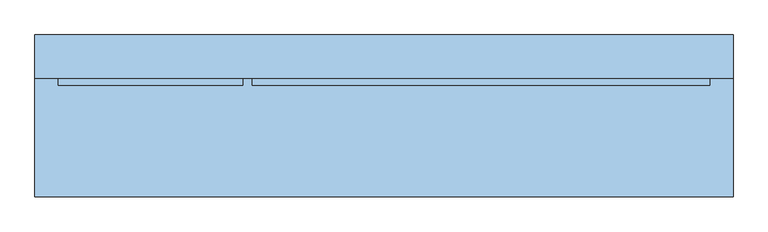
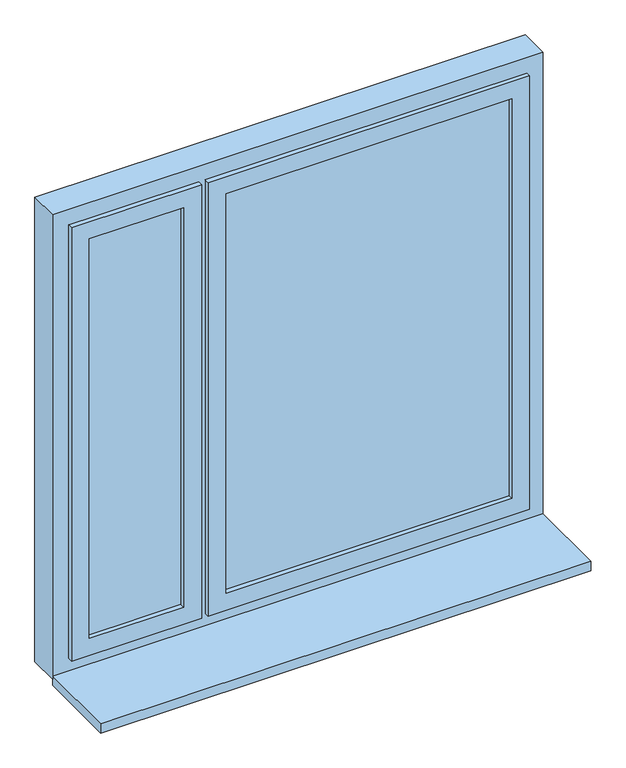
"""IFC4 building model written with IfcOpenShell, lengths in millimetres: window geometry."""

import ifcopenshell
import ifcopenshell.guid

model = None  # the IFC model being written
_history = None  # IfcOwnerHistory: only IFC2X3 demands one
_inside = {}  # id of a spatial element -> (the spatial element, [elements in it])
_under = {}  # id of a project, library or spatial element -> (it, [spatial elements below it])
_declared = {}  # id of a project -> (the project, [libraries it declares])
_typed = {}  # id of a type object -> (the type object, [elements of that type])
_made_of = {}  # id of a material, layer set ... -> (it, [elements and type objects made of it])


def new_model(schema):
    """Start an empty IFC model of exactly this schema.

    Asked for "IFC4X3", IfcOpenShell would pick the latest addendum, in which some entities
    have other attributes; the version numbers below select the first issue.
    IFC2X3 requires an IfcOwnerHistory on every rooted entity: one is made here for all.
    """
    global model, _history
    if schema == "IFC4X3":
        model = ifcopenshell.file(schema_version=(4, 3, 0, 0))
    else:
        model = ifcopenshell.file(schema=schema)
    _inside.clear()
    _under.clear()
    _declared.clear()
    _typed.clear()
    _made_of.clear()
    _history = None
    if model.schema == "IFC2X3":
        org = make("IfcOrganization", Name="unknown")
        user = make(
            "IfcPersonAndOrganization",
            ThePerson=make("IfcPerson", FamilyName="unknown"),
            TheOrganization=org,
        )
        app = make(
            "IfcApplication",
            ApplicationDeveloper=org,
            Version="unknown",
            ApplicationFullName="unknown",
            ApplicationIdentifier="unknown",
        )
        _history = make(
            "IfcOwnerHistory",
            OwningUser=user,
            OwningApplication=app,
            ChangeAction="ADDED",
            CreationDate=0,
        )
    return model


def make(cls, **values):
    """One entity of the class cls with the attributes given. An attribute that is None is left unset."""
    return model.create_entity(
        cls, **{name: value for name, value in values.items() if value is not None}
    )


def rooted(cls, **values):
    """An entity with a GlobalId (a new one), such as an element, a storey or a relation."""
    return make(cls, GlobalId=ifcopenshell.guid.new(), OwnerHistory=_history, **values)


def si_unit(unit_type, name, prefix=None):
    """IfcSIUnit, for example si_unit("LENGTHUNIT", "METRE", prefix="MILLI")."""
    return make("IfcSIUnit", UnitType=unit_type, Prefix=prefix, Name=name)


def assignment(units):
    """IfcUnitAssignment: the units of a project."""
    return None if units is None else make("IfcUnitAssignment", Units=units)


def point(xyz):
    """IfcCartesianPoint."""
    return None if xyz is None else make("IfcCartesianPoint", Coordinates=xyz)


def direction(xyz):
    """IfcDirection."""
    return None if xyz is None else make("IfcDirection", DirectionRatios=xyz)


def frame(location, z_axis=None, x_axis=None):
    """IfcAxis2Placement3D, a coordinate frame: its origin and axes. An axis left out is left unset."""
    return make(
        "IfcAxis2Placement3D",
        Location=point(location),
        Axis=direction(z_axis),
        RefDirection=direction(x_axis),
    )


def origin():
    """The frame at (0, 0, 0) with its axes left unset."""
    return frame((0.0, 0.0, 0.0))


def place(relative_to, where):
    """IfcLocalPlacement: puts the frame where relative to a parent placement (None: the world)."""
    return make(
        "IfcLocalPlacement", PlacementRelTo=relative_to, RelativePlacement=where
    )


def context(
    kind, dimensions, precision=None, world=None, true_north=None, identifier=None
):
    """IfcGeometricRepresentationContext, for example the 3D "Model" context."""
    return make(
        "IfcGeometricRepresentationContext",
        ContextIdentifier=identifier,
        ContextType=kind,
        CoordinateSpaceDimension=dimensions,
        Precision=precision,
        WorldCoordinateSystem=world,
        TrueNorth=true_north,
    )


def project(units=None, contexts=None):
    """IfcProject with its units and contexts."""
    return rooted(
        "IfcProject",
        Name="project",
        RepresentationContexts=contexts,
        UnitsInContext=assignment(units),
    )


def spatial(cls, under=None, at=None, **own):
    """A site, building, storey or space (cls), placed at a placement, below another one or the project."""
    s = rooted(cls, ObjectPlacement=at, **own)
    if under is not None:
        _under.setdefault(under.id(), (under, []))[1].append(s)
    return s


def polyline(points):
    """IfcPolyline through the points."""
    return make("IfcPolyline", Points=[point(p) for p in points])


def outline(outer, holes=None, kind="AREA"):
    """IfcArbitraryClosedProfileDef: a profile drawn as a closed curve; with holes, ...WithVoids."""
    if holes is None:
        return make("IfcArbitraryClosedProfileDef", ProfileType=kind, OuterCurve=outer)
    return make(
        "IfcArbitraryProfileDefWithVoids",
        ProfileType=kind,
        OuterCurve=outer,
        InnerCurves=holes,
    )


def extrude(swept, where, along, depth):
    """IfcExtrudedAreaSolid: the profile swept, set in the frame where, extruded along a direction by depth."""
    return make(
        "IfcExtrudedAreaSolid",
        SweptArea=swept,
        Position=where,
        ExtrudedDirection=direction(along),
        Depth=depth,
    )


def faces_of(points, faces, orient=None, outer=None):
    """IfcFace entities. A face is a list of loops; a loop is a list of indices into points, from 0.

    orient and outer hold one flag for each loop. By default every Orientation is true, the
    first loop of a face is its IfcFaceOuterBound and the others are IfcFaceBound.
    """
    made = []
    for i, loops in enumerate(faces):
        bounds = []
        for j, loop in enumerate(loops):
            is_outer = j == 0 if outer is None else outer[i][j]
            bounds.append(
                make(
                    "IfcFaceOuterBound" if is_outer else "IfcFaceBound",
                    Bound=make("IfcPolyLoop", Polygon=[points[k] for k in loop]),
                    Orientation=True if orient is None else orient[i][j],
                )
            )
        made.append(make("IfcFace", Bounds=bounds))
    return made


def faceted_brep(points, faces, orient=None, outer=None, voids=None):
    """IfcFacetedBrep: a solid bounded by flat faces; with voids (closed shells), ...WithVoids."""
    shared = [point(p) for p in points]
    hull = make("IfcClosedShell", CfsFaces=faces_of(shared, faces, orient, outer))
    if voids is None:
        return make("IfcFacetedBrep", Outer=hull)
    return make(
        "IfcFacetedBrepWithVoids",
        Outer=hull,
        Voids=[
            make(cls, CfsFaces=faces_of(shared, fs, o, b)) for cls, fs, o, b in voids
        ],
    )


def shape(context_of_items, identifier, shape_type, items):
    """IfcShapeRepresentation: the items that make up one representation, for example the "Body"."""
    return make(
        "IfcShapeRepresentation",
        ContextOfItems=context_of_items,
        RepresentationIdentifier=identifier,
        RepresentationType=shape_type,
        Items=items,
    )


def source(mapping_origin, context_of_items, identifier, shape_type, items):
    """IfcRepresentationMap: a shape defined once, which mapped items show again and again."""
    return make(
        "IfcRepresentationMap",
        MappingOrigin=mapping_origin,
        MappedRepresentation=shape(context_of_items, identifier, shape_type, items),
    )


def transform(
    local_origin,
    x_axis=None,
    y_axis=None,
    z_axis=None,
    scale=None,
    scale2=None,
    scale3=None,
    uniform=True,
):
    """IfcCartesianTransformationOperator3D, or its non-uniform kind. x_axis, y_axis, z_axis: its Axis1, 2, 3."""
    if uniform:
        return make(
            "IfcCartesianTransformationOperator3D",
            Axis1=direction(x_axis),
            Axis2=direction(y_axis),
            LocalOrigin=point(local_origin),
            Scale=scale,
            Axis3=direction(z_axis),
        )
    return make(
        "IfcCartesianTransformationOperator3DnonUniform",
        Axis1=direction(x_axis),
        Axis2=direction(y_axis),
        LocalOrigin=point(local_origin),
        Scale=scale,
        Axis3=direction(z_axis),
        Scale2=scale2,
        Scale3=scale3,
    )


def mapped(mapping_source, mapping_target):
    """IfcMappedItem: shows the shape of a source again, moved by a transform."""
    return make(
        "IfcMappedItem", MappingSource=mapping_source, MappingTarget=mapping_target
    )


def made_of(thing, what):
    """Note that an element or type object is made of a material, layer set ...; save() writes the relation."""
    if what is not None:
        _made_of.setdefault(what.id(), (what, []))[1].append(thing)
    return thing


def element(
    cls,
    number,
    at=None,
    inside=None,
    cuts=None,
    type_object=None,
    material=None,
    context=None,
    identifier="Body",
    shape_type=None,
    held_by="IfcProductDefinitionShape",
    body=None,
    shapes=None,
    **own,
):
    """One element of the class cls, such as IfcWall. Its Tag is "e" and its number.

    at: its placement. inside: the storey or other place that contains it. cuts: it is an
    opening in that element (IfcRelVoidsElement). A single representation is given by context,
    identifier, shape_type and body (its items); several are given by shapes. held_by: the class
    of the entity that holds the representations. save() writes the other relations.
    """
    e = rooted(cls, Tag="e%d" % number, ObjectPlacement=at, **own)
    if body is not None:
        shapes = [shape(context, identifier, shape_type, body)]
    if shapes is not None:
        e.Representation = make(held_by, Representations=shapes)
    if inside is not None:
        _inside.setdefault(inside.id(), (inside, []))[1].append(e)
    if cuts is not None:
        rooted(
            "IfcRelVoidsElement", RelatingBuildingElement=cuts, RelatedOpeningElement=e
        )
    if type_object is not None:
        _typed.setdefault(type_object.id(), (type_object, []))[1].append(e)
    return made_of(e, material)


def aggregate(whole, parts):
    """IfcRelAggregates: a whole, such as a stair, and the parts it consists of."""
    return rooted("IfcRelAggregates", RelatingObject=whole, RelatedObjects=parts)


def save(model, path):
    """Write the relations noted so far, then the file.

    IfcRelAggregates (storeys below a building ...), IfcRelContainedInSpatialStructure (elements
    in a storey), IfcRelDefinesByType, IfcRelAssociatesMaterial and IfcRelDeclares: one each for
    every whole, place, type object, material and project.
    """
    for whole, parts in _under.values():
        aggregate(whole, parts)
    for where, things in _inside.values():
        rooted(
            "IfcRelContainedInSpatialStructure",
            RelatedElements=things,
            RelatingStructure=where,
        )
    for kind, things in _typed.values():
        rooted("IfcRelDefinesByType", RelatedObjects=things, RelatingType=kind)
    for what, things in _made_of.values():
        rooted("IfcRelAssociatesMaterial", RelatedObjects=things, RelatingMaterial=what)
    for by, libraries in _declared.values():
        rooted("IfcRelDeclares", RelatingContext=by, RelatedDefinitions=libraries)
    model.write(path)


def window_0c1ff4c9(model_context):
    return source(origin(), model_context, "Body", "SolidModel", [
        extrude(outline(polyline([(-525.0, 56.0), (-525.0, 60.0), (-235.0, 60.0), (-235.0, 56.0), (-525.0, 56.0)])), frame((0.0, 0.0, 905.0), z_axis=(0.0, 0.0, 1.0), x_axis=(1.0, 0.0, 0.0)), (0.0, 0.0, 1.0), 1300.0),
        extrude(outline(polyline([(-235.0, 120.0), (-235.0, 116.0), (-525.0, 116.0), (-525.0, 120.0), (-235.0, 120.0)])), frame((0.0, 0.0, 905.0), z_axis=(0.0, 0.0, 1.0), x_axis=(1.0, 0.0, 0.0)), (0.0, 0.0, 1.0), 1300.0),
        faceted_brep([(-180.0, 56.0, 2260.0), (-180.0, 56.0, 850.0), (-580.0, 56.0, 850.0), (-580.0, 56.0, 2260.0), (-190.0, 56.0, 860.0), (-190.0, 56.0, 2250.0), (-570.0, 56.0, 2250.0), (-570.0, 56.0, 860.0), (-190.0, 87.0, 860.0), (-190.0, 87.0, 2250.0), (-570.0, 87.0, 860.0), (-570.0, 87.0, 2250.0), (-525.0, 87.0, 905.0), (-235.0, 87.0, 905.0), (-235.0, 87.0, 2205.0), (-525.0, 87.0, 2205.0), (-235.0, 41.0, 905.0), (-235.0, 41.0, 2205.0), (-580.0, 41.0, 850.0), (-180.0, 41.0, 850.0), (-180.0, 41.0, 2260.0), (-580.0, 41.0, 2260.0), (-525.0, 41.0, 905.0), (-525.0, 41.0, 2205.0)], [[[0, 1, 2, 3], [4, 5, 6, 7]], [[4, 8, 9, 5]], [[8, 10, 11, 9], [12, 13, 14, 15]], [[13, 16, 17, 14]], [[18, 19, 20, 21], [16, 22, 23, 17]], [[0, 20, 19, 1]], [[5, 9, 11, 6]], [[14, 17, 23, 15]], [[3, 21, 20, 0]], [[6, 11, 10, 7]], [[15, 23, 22, 12]], [[2, 18, 21, 3]], [[8, 4, 7, 10]], [[16, 13, 12, 22]], [[1, 19, 18, 2]]]),
        faceted_brep([(-190.0, 89.0, 2250.0), (-190.0, 89.0, 860.0), (-190.0, 102.0, 860.0), (-190.0, 102.0, 875.0), (-190.0, 135.0, 875.0), (-190.0, 135.0, 2250.0), (-235.0, 135.0, 905.0), (-235.0, 89.0, 905.0), (-235.0, 89.0, 2205.0), (-235.0, 135.0, 2205.0), (-570.0, 89.0, 860.0), (-570.0, 89.0, 2250.0), (-525.0, 89.0, 905.0), (-525.0, 89.0, 2205.0), (-570.0, 135.0, 875.0), (-570.0, 135.0, 2250.0), (-525.0, 135.0, 2205.0), (-525.0, 135.0, 905.0), (-570.0, 102.0, 875.0), (-570.0, 102.0, 860.0)], [[[0, 1, 2, 3, 4, 5]], [[6, 7, 8, 9]], [[10, 1, 0, 11], [7, 12, 13, 8]], [[4, 14, 15, 5], [9, 16, 17, 6]], [[8, 13, 16, 9]], [[0, 5, 15, 11]], [[10, 11, 15, 14, 18, 19]], [[12, 17, 16, 13]], [[7, 6, 17, 12]], [[10, 19, 2, 1]], [[19, 18, 3, 2]], [[4, 3, 18, 14]]]),
        extrude(outline(polyline([(-105.0, 56.0), (-105.0, 60.0), (775.0, 60.0), (775.0, 56.0), (-105.0, 56.0)])), frame((0.0, 0.0, 905.0), z_axis=(0.0, 0.0, 1.0), x_axis=(1.0, 0.0, 0.0)), (0.0, 0.0, 1.0), 1300.0),
        extrude(outline(polyline([(775.0, 120.0), (775.0, 116.0), (-105.0, 116.0), (-105.0, 120.0), (775.0, 120.0)])), frame((0.0, 0.0, 905.0), z_axis=(0.0, 0.0, 1.0), x_axis=(1.0, 0.0, 0.0)), (0.0, 0.0, 1.0), 1300.0),
        faceted_brep([(830.0, 56.0, 2260.0), (830.0, 56.0, 850.0), (-160.0, 56.0, 850.0), (-160.0, 56.0, 2260.0), (820.0, 56.0, 860.0), (820.0, 56.0, 2250.0), (-150.0, 56.0, 2250.0), (-150.0, 56.0, 860.0), (820.0, 87.0, 860.0), (820.0, 87.0, 2250.0), (-150.0, 87.0, 860.0), (-150.0, 87.0, 2250.0), (-105.0, 87.0, 905.0), (775.0, 87.0, 905.0), (775.0, 87.0, 2205.0), (-105.0, 87.0, 2205.0), (775.0, 41.0, 905.0), (775.0, 41.0, 2205.0), (-160.0, 41.0, 850.0), (830.0, 41.0, 850.0), (830.0, 41.0, 2260.0), (-160.0, 41.0, 2260.0), (-105.0, 41.0, 905.0), (-105.0, 41.0, 2205.0)], [[[0, 1, 2, 3], [4, 5, 6, 7]], [[4, 8, 9, 5]], [[8, 10, 11, 9], [12, 13, 14, 15]], [[13, 16, 17, 14]], [[18, 19, 20, 21], [16, 22, 23, 17]], [[0, 20, 19, 1]], [[5, 9, 11, 6]], [[14, 17, 23, 15]], [[3, 21, 20, 0]], [[6, 11, 10, 7]], [[15, 23, 22, 12]], [[2, 18, 21, 3]], [[8, 4, 7, 10]], [[16, 13, 12, 22]], [[1, 19, 18, 2]]]),
        faceted_brep([(820.0, 89.0, 2250.0), (820.0, 89.0, 860.0), (820.0, 102.0, 860.0), (820.0, 102.0, 875.0), (820.0, 135.0, 875.0), (820.0, 135.0, 2250.0), (775.0, 135.0, 905.0), (775.0, 89.0, 905.0), (775.0, 89.0, 2205.0), (775.0, 135.0, 2205.0), (-150.0, 89.0, 860.0), (-150.0, 89.0, 2250.0), (-105.0, 89.0, 905.0), (-105.0, 89.0, 2205.0), (-150.0, 135.0, 875.0), (-150.0, 135.0, 2250.0), (-105.0, 135.0, 2205.0), (-105.0, 135.0, 905.0), (-150.0, 102.0, 875.0), (-150.0, 102.0, 860.0)], [[[0, 1, 2, 3, 4, 5]], [[6, 7, 8, 9]], [[10, 1, 0, 11], [7, 12, 13, 8]], [[4, 14, 15, 5], [9, 16, 17, 6]], [[8, 13, 16, 9]], [[0, 5, 15, 11]], [[10, 11, 15, 14, 18, 19]], [[12, 17, 16, 13]], [[7, 6, 17, 12]], [[10, 19, 2, 1]], [[19, 18, 3, 2]], [[4, 3, 18, 14]]]),
        faceted_brep([(-630.0, 150.0, 800.0), (880.0, 150.0, 800.0), (880.0, 56.0, 800.0), (-630.0, 56.0, 800.0), (880.0, 56.0, 2310.0), (-630.0, 56.0, 2310.0), (-570.0, 56.0, 2250.0), (-190.0, 56.0, 2250.0), (-190.0, 56.0, 860.0), (-570.0, 56.0, 860.0), (820.0, 56.0, 2250.0), (820.0, 56.0, 860.0), (-150.0, 56.0, 860.0), (-150.0, 56.0, 2250.0), (820.0, 135.0, 2250.0), (820.0, 135.0, 860.0), (820.0, 119.0, 860.0), (820.0, 119.0, 875.0), (820.0, 102.0, 875.0), (820.0, 102.0, 860.0), (-150.0, 135.0, 2250.0), (-150.0, 135.0, 860.0), (-135.0, 135.0, 860.0), (-135.0, 135.0, 2235.0), (805.0, 135.0, 2235.0), (805.0, 135.0, 860.0), (-570.0, 135.0, 2250.0), (-570.0, 135.0, 860.0), (-555.0, 135.0, 860.0), (-555.0, 135.0, 2235.0), (-205.0, 135.0, 2235.0), (-205.0, 135.0, 860.0), (-190.0, 135.0, 860.0), (-190.0, 135.0, 2250.0), (805.0, 150.0, 2235.0), (805.0, 150.0, 860.0), (-630.0, 150.0, 2310.0), (880.0, 150.0, 2310.0), (-555.0, 150.0, 860.0), (-205.0, 150.0, 860.0), (-205.0, 150.0, 2235.0), (-555.0, 150.0, 2235.0), (-135.0, 150.0, 2235.0), (-135.0, 150.0, 860.0), (-570.0, 102.0, 860.0), (-570.0, 102.0, 875.0), (-570.0, 119.0, 875.0), (-570.0, 119.0, 860.0), (-150.0, 102.0, 860.0), (-190.0, 102.0, 860.0), (-150.0, 102.0, 875.0), (-190.0, 102.0, 875.0), (-150.0, 119.0, 875.0), (-190.0, 119.0, 875.0), (-150.0, 119.0, 860.0), (-190.0, 119.0, 860.0)], [[[0, 1, 2, 3]], [[2, 4, 5, 3], [6, 7, 8, 9], [10, 11, 12, 13]], [[10, 14, 15, 16, 17, 18, 19, 11]], [[15, 14, 20, 21, 22, 23, 24, 25]], [[26, 27, 28, 29, 30, 31, 32, 33]], [[24, 34, 35, 25]], [[0, 36, 37, 1], [38, 39, 40, 41], [35, 34, 42, 43]], [[2, 1, 37, 4]], [[20, 14, 10, 13]], [[6, 26, 33, 7]], [[34, 24, 23, 42]], [[29, 41, 40, 30]], [[5, 4, 37, 36]], [[26, 6, 9, 44, 45, 46, 47, 27]], [[41, 29, 28, 38]], [[5, 36, 0, 3]], [[11, 19, 48, 12]], [[44, 9, 8, 49]], [[19, 18, 50, 48]], [[45, 44, 49, 51]], [[18, 17, 52, 50]], [[46, 45, 51, 53]], [[17, 16, 54, 52]], [[47, 46, 53, 55]], [[16, 15, 25, 35, 43, 22, 21, 54]], [[28, 27, 47, 55, 32, 31, 39, 38]], [[40, 39, 31, 30]], [[8, 7, 33, 32, 55, 53, 51, 49]], [[13, 12, 48, 50, 52, 54, 21, 20]], [[43, 42, 23, 22]]]),
        extrude(outline(polyline([(-630.0, -200.0), (-630.0, 56.0), (880.0, 56.0), (880.0, -200.0), (-630.0, -200.0)])), frame((0.0, 0.0, 780.0), z_axis=(0.0, 0.0, 1.0), x_axis=(1.0, 0.0, 0.0)), (0.0, 0.0, 1.0), 30.0),
    ])


if __name__ == "__main__":
    model = new_model("IFC4")
    model_context = context("Model", 3, world=origin())
    ifc_project = project(units=[si_unit("LENGTHUNIT", "METRE", prefix="MILLI")], contexts=[model_context])
    site = spatial("IfcSite", under=ifc_project)
    building = spatial("IfcBuilding", under=site)
    placement = place(None, origin())
    window_shape = window_0c1ff4c9(model_context)
    element("IfcWindow", 1, at=placement, inside=building, context=model_context, shape_type="MappedRepresentation", body=[
        mapped(window_shape, transform((0.0, 0.0, 0.0), x_axis=(1.0, 0.0, 0.0), y_axis=(0.0, 1.0, 0.0), z_axis=(0.0, 0.0, 1.0))),
    ])
    save(model, "model.ifc")
